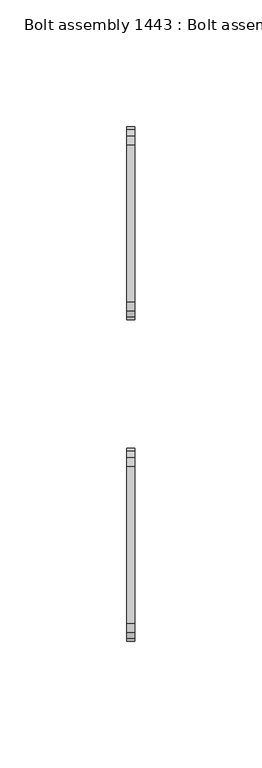
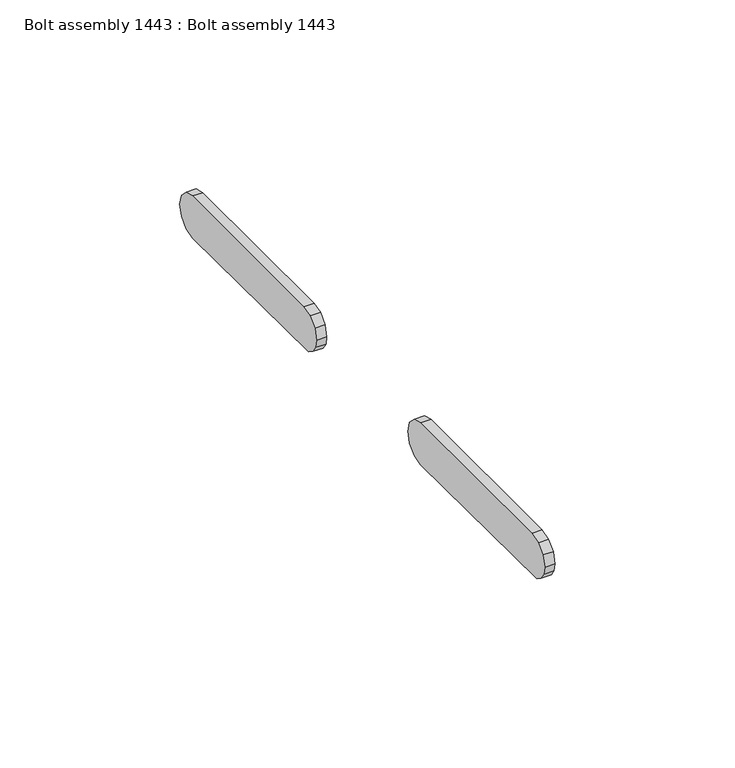
"""IFC4 building model written with IfcOpenShell, lengths in millimetres: proxy geometry, Bolt assembly 1443 : Bolt assembly 1443."""

from ifc_helpers import new_model, si_unit, frame, origin, place, context, project, spatial, polyline, outline, extrude, source, transform, mapped, element, save


def bolt_assembly_1443_bolt_assembly_1443_08b65322(model_context):
    return source(origin(), model_context, "Body", "SweptSolid", [
        extrude(outline(polyline([(1880.5572493, -69.4525015), (1883.1725008, -66.83725), (1886.7450008, -65.8800015), (1948.6550007, -65.8800015), (1952.2275007, -66.83725), (1954.8427522, -69.4525015), (1955.8000007, -73.0250015), (1954.8427522, -76.5975015), (1952.2275007, -79.212753), (1948.6550007, -80.1700015), (1884.0107277, -79.6261208), (1881.6927229, -78.0772795), (1880.1438816, -75.7592746), (1879.6000009, -73.0250015), (1880.5572493, -69.4525015)])), frame((-1.6874985, 0.0, 0.0), z_axis=(1.0, 0.0, 0.0), x_axis=(0.0, 1.0, 0.0)), (0.0, 0.0, 1.0), 3.275),
        extrude(outline(polyline([(2007.5572493, -69.4525015), (2010.1725008, -66.83725), (2013.7450008, -65.8800015), (2075.6550007, -65.8800015), (2079.2275007, -66.83725), (2081.8427522, -69.4525015), (2082.8000007, -73.0250015), (2081.8427522, -76.5975015), (2079.2275007, -79.212753), (2075.6550007, -80.1700015), (2011.0107277, -79.6261208), (2008.6927229, -78.0772795), (2007.1438816, -75.7592746), (2006.6000009, -73.0250015), (2007.5572493, -69.4525015)])), frame((-1.6874985, 0.0, 0.0), z_axis=(1.0, 0.0, 0.0), x_axis=(0.0, 1.0, 0.0)), (0.0, 0.0, 1.0), 3.275),
    ])


if __name__ == "__main__":
    model = new_model("IFC4")
    model_context = context("Model", 3, world=origin())
    ifc_project = project(units=[si_unit("LENGTHUNIT", "METRE", prefix="MILLI")], contexts=[model_context])
    site = spatial("IfcSite", under=ifc_project)
    building = spatial("IfcBuilding", under=site)
    placement = place(None, origin())
    bolt_assembly_1443_bolt_assembly_1443_shape = bolt_assembly_1443_bolt_assembly_1443_08b65322(model_context)
    element("IfcBuildingElementProxy", 1, Name="Bolt assembly 1443 : Bolt assembly 1443", ObjectType="Bolt assembly 1443 : Bolt assembly 1443", at=placement, inside=building, context=model_context, shape_type="MappedRepresentation", body=[
        mapped(bolt_assembly_1443_bolt_assembly_1443_shape, transform((0.0, 0.0, 0.0), x_axis=(1.0, 0.0, 0.0), y_axis=(0.0, 1.0, 0.0), z_axis=(0.0, 0.0, 1.0))),
    ])
    save(model, "model.ifc")
